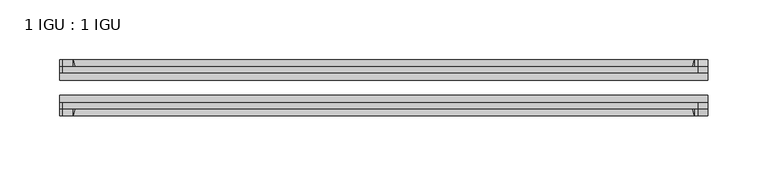
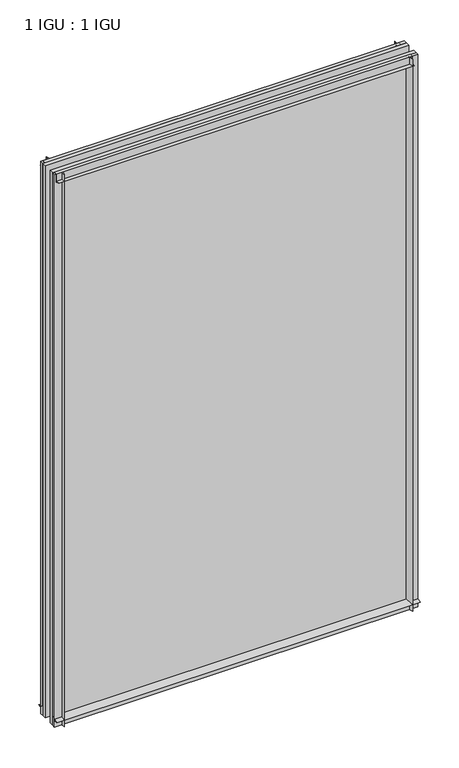
"""IFC4 building model written with IfcOpenShell, lengths in millimetres: plate geometry, 1 IGU : 1 IGU."""

import ifcopenshell
import ifcopenshell.guid

model = None  # the IFC model being written
_history = None  # IfcOwnerHistory: only IFC2X3 demands one
_inside = {}  # id of a spatial element -> (the spatial element, [elements in it])
_under = {}  # id of a project, library or spatial element -> (it, [spatial elements below it])
_declared = {}  # id of a project -> (the project, [libraries it declares])
_typed = {}  # id of a type object -> (the type object, [elements of that type])
_made_of = {}  # id of a material, layer set ... -> (it, [elements and type objects made of it])


def new_model(schema):
    """Start an empty IFC model of exactly this schema.

    Asked for "IFC4X3", IfcOpenShell would pick the latest addendum, in which some entities
    have other attributes; the version numbers below select the first issue.
    IFC2X3 requires an IfcOwnerHistory on every rooted entity: one is made here for all.
    """
    global model, _history
    if schema == "IFC4X3":
        model = ifcopenshell.file(schema_version=(4, 3, 0, 0))
    else:
        model = ifcopenshell.file(schema=schema)
    _inside.clear()
    _under.clear()
    _declared.clear()
    _typed.clear()
    _made_of.clear()
    _history = None
    if model.schema == "IFC2X3":
        org = make("IfcOrganization", Name="unknown")
        user = make(
            "IfcPersonAndOrganization",
            ThePerson=make("IfcPerson", FamilyName="unknown"),
            TheOrganization=org,
        )
        app = make(
            "IfcApplication",
            ApplicationDeveloper=org,
            Version="unknown",
            ApplicationFullName="unknown",
            ApplicationIdentifier="unknown",
        )
        _history = make(
            "IfcOwnerHistory",
            OwningUser=user,
            OwningApplication=app,
            ChangeAction="ADDED",
            CreationDate=0,
        )
    return model


def make(cls, **values):
    """One entity of the class cls with the attributes given. An attribute that is None is left unset."""
    return model.create_entity(
        cls, **{name: value for name, value in values.items() if value is not None}
    )


def rooted(cls, **values):
    """An entity with a GlobalId (a new one), such as an element, a storey or a relation."""
    return make(cls, GlobalId=ifcopenshell.guid.new(), OwnerHistory=_history, **values)


def si_unit(unit_type, name, prefix=None):
    """IfcSIUnit, for example si_unit("LENGTHUNIT", "METRE", prefix="MILLI")."""
    return make("IfcSIUnit", UnitType=unit_type, Prefix=prefix, Name=name)


def assignment(units):
    """IfcUnitAssignment: the units of a project."""
    return None if units is None else make("IfcUnitAssignment", Units=units)


def point(xyz):
    """IfcCartesianPoint."""
    return None if xyz is None else make("IfcCartesianPoint", Coordinates=xyz)


def direction(xyz):
    """IfcDirection."""
    return None if xyz is None else make("IfcDirection", DirectionRatios=xyz)


def frame(location, z_axis=None, x_axis=None):
    """IfcAxis2Placement3D, a coordinate frame: its origin and axes. An axis left out is left unset."""
    return make(
        "IfcAxis2Placement3D",
        Location=point(location),
        Axis=direction(z_axis),
        RefDirection=direction(x_axis),
    )


def frame_2d(location, x_axis=None):
    """IfcAxis2Placement2D, a coordinate frame in the plane: its origin and x axis."""
    return make(
        "IfcAxis2Placement2D", Location=point(location), RefDirection=direction(x_axis)
    )


def origin():
    """The frame at (0, 0, 0) with its axes left unset."""
    return frame((0.0, 0.0, 0.0))


def place(relative_to, where):
    """IfcLocalPlacement: puts the frame where relative to a parent placement (None: the world)."""
    return make(
        "IfcLocalPlacement", PlacementRelTo=relative_to, RelativePlacement=where
    )


def context(
    kind, dimensions, precision=None, world=None, true_north=None, identifier=None
):
    """IfcGeometricRepresentationContext, for example the 3D "Model" context."""
    return make(
        "IfcGeometricRepresentationContext",
        ContextIdentifier=identifier,
        ContextType=kind,
        CoordinateSpaceDimension=dimensions,
        Precision=precision,
        WorldCoordinateSystem=world,
        TrueNorth=true_north,
    )


def project(units=None, contexts=None):
    """IfcProject with its units and contexts."""
    return rooted(
        "IfcProject",
        Name="project",
        RepresentationContexts=contexts,
        UnitsInContext=assignment(units),
    )


def spatial(cls, under=None, at=None, **own):
    """A site, building, storey or space (cls), placed at a placement, below another one or the project."""
    s = rooted(cls, ObjectPlacement=at, **own)
    if under is not None:
        _under.setdefault(under.id(), (under, []))[1].append(s)
    return s


def polyline(points):
    """IfcPolyline through the points."""
    return make("IfcPolyline", Points=[point(p) for p in points])


def circle_curve(where, radius):
    """IfcCircle in the frame where."""
    return make("IfcCircle", Position=where, Radius=radius)


def trimmed(basis, trim1, trim2, sense, master):
    """IfcTrimmedCurve: the piece of a basis curve between two trims."""
    return make(
        "IfcTrimmedCurve",
        BasisCurve=basis,
        Trim1=trim1,
        Trim2=trim2,
        SenseAgreement=sense,
        MasterRepresentation=master,
    )


def segment(curve, same_sense, transition):
    """IfcCompositeCurveSegment."""
    return make(
        "IfcCompositeCurveSegment",
        Transition=transition,
        SameSense=same_sense,
        ParentCurve=curve,
    )


def composite_curve(segments, self_intersect=None):
    """IfcCompositeCurve: segments joined end to end."""
    return make("IfcCompositeCurve", Segments=segments, SelfIntersect=self_intersect)


def outline(outer, holes=None, kind="AREA"):
    """IfcArbitraryClosedProfileDef: a profile drawn as a closed curve; with holes, ...WithVoids."""
    if holes is None:
        return make("IfcArbitraryClosedProfileDef", ProfileType=kind, OuterCurve=outer)
    return make(
        "IfcArbitraryProfileDefWithVoids",
        ProfileType=kind,
        OuterCurve=outer,
        InnerCurves=holes,
    )


def extrude(swept, where, along, depth):
    """IfcExtrudedAreaSolid: the profile swept, set in the frame where, extruded along a direction by depth."""
    return make(
        "IfcExtrudedAreaSolid",
        SweptArea=swept,
        Position=where,
        ExtrudedDirection=direction(along),
        Depth=depth,
    )


def shape(context_of_items, identifier, shape_type, items):
    """IfcShapeRepresentation: the items that make up one representation, for example the "Body"."""
    return make(
        "IfcShapeRepresentation",
        ContextOfItems=context_of_items,
        RepresentationIdentifier=identifier,
        RepresentationType=shape_type,
        Items=items,
    )


def source(mapping_origin, context_of_items, identifier, shape_type, items):
    """IfcRepresentationMap: a shape defined once, which mapped items show again and again."""
    return make(
        "IfcRepresentationMap",
        MappingOrigin=mapping_origin,
        MappedRepresentation=shape(context_of_items, identifier, shape_type, items),
    )


def transform(
    local_origin,
    x_axis=None,
    y_axis=None,
    z_axis=None,
    scale=None,
    scale2=None,
    scale3=None,
    uniform=True,
):
    """IfcCartesianTransformationOperator3D, or its non-uniform kind. x_axis, y_axis, z_axis: its Axis1, 2, 3."""
    if uniform:
        return make(
            "IfcCartesianTransformationOperator3D",
            Axis1=direction(x_axis),
            Axis2=direction(y_axis),
            LocalOrigin=point(local_origin),
            Scale=scale,
            Axis3=direction(z_axis),
        )
    return make(
        "IfcCartesianTransformationOperator3DnonUniform",
        Axis1=direction(x_axis),
        Axis2=direction(y_axis),
        LocalOrigin=point(local_origin),
        Scale=scale,
        Axis3=direction(z_axis),
        Scale2=scale2,
        Scale3=scale3,
    )


def mapped(mapping_source, mapping_target):
    """IfcMappedItem: shows the shape of a source again, moved by a transform."""
    return make(
        "IfcMappedItem", MappingSource=mapping_source, MappingTarget=mapping_target
    )


def made_of(thing, what):
    """Note that an element or type object is made of a material, layer set ...; save() writes the relation."""
    if what is not None:
        _made_of.setdefault(what.id(), (what, []))[1].append(thing)
    return thing


def element(
    cls,
    number,
    at=None,
    inside=None,
    cuts=None,
    type_object=None,
    material=None,
    context=None,
    identifier="Body",
    shape_type=None,
    held_by="IfcProductDefinitionShape",
    body=None,
    shapes=None,
    **own,
):
    """One element of the class cls, such as IfcWall. Its Tag is "e" and its number.

    at: its placement. inside: the storey or other place that contains it. cuts: it is an
    opening in that element (IfcRelVoidsElement). A single representation is given by context,
    identifier, shape_type and body (its items); several are given by shapes. held_by: the class
    of the entity that holds the representations. save() writes the other relations.
    """
    e = rooted(cls, Tag="e%d" % number, ObjectPlacement=at, **own)
    if body is not None:
        shapes = [shape(context, identifier, shape_type, body)]
    if shapes is not None:
        e.Representation = make(held_by, Representations=shapes)
    if inside is not None:
        _inside.setdefault(inside.id(), (inside, []))[1].append(e)
    if cuts is not None:
        rooted(
            "IfcRelVoidsElement", RelatingBuildingElement=cuts, RelatedOpeningElement=e
        )
    if type_object is not None:
        _typed.setdefault(type_object.id(), (type_object, []))[1].append(e)
    return made_of(e, material)


def aggregate(whole, parts):
    """IfcRelAggregates: a whole, such as a stair, and the parts it consists of."""
    return rooted("IfcRelAggregates", RelatingObject=whole, RelatedObjects=parts)


def save(model, path):
    """Write the relations noted so far, then the file.

    IfcRelAggregates (storeys below a building ...), IfcRelContainedInSpatialStructure (elements
    in a storey), IfcRelDefinesByType, IfcRelAssociatesMaterial and IfcRelDeclares: one each for
    every whole, place, type object, material and project.
    """
    for whole, parts in _under.values():
        aggregate(whole, parts)
    for where, things in _inside.values():
        rooted(
            "IfcRelContainedInSpatialStructure",
            RelatedElements=things,
            RelatingStructure=where,
        )
    for kind, things in _typed.values():
        rooted("IfcRelDefinesByType", RelatedObjects=things, RelatingType=kind)
    for what, things in _made_of.values():
        rooted("IfcRelAssociatesMaterial", RelatedObjects=things, RelatingMaterial=what)
    for by, libraries in _declared.values():
        rooted("IfcRelDeclares", RelatingContext=by, RelatedDefinitions=libraries)
    model.write(path)


def plate_1_igu_1_igu_a8598b8f(model_context):
    return source(origin(), model_context, "Body", "SweptSolid", [
        extrude(outline(composite_curve([segment(trimmed(circle_curve(frame_2d((-28.0741797, 32.2797688)), 32.7673262), [point((-44.45, 3.8979053))], [point((-33.7058, 1.48e-05))], True, "CARTESIAN"), True, "CONTINUOUS"), segment(polyline([(-33.7058, 1.48e-05), (-39.6748, 1.48e-05), (-39.6748, -10.31875), (-44.45, -10.31875), (-44.45, 3.8979053)]), True, "CONTINUOUS")], self_intersect=False)), frame((-271.4625, 0.0, 0.0), z_axis=(1.0, 0.0, 0.0), x_axis=(0.0, 1.0, 0.0)), (0.0, 0.0, 1.0), 542.925),
        extrude(outline(composite_curve([segment(trimmed(circle_curve(frame_2d((-86.2258203, 32.2797602)), 32.7673262), [point((-80.5942354, 0.0))], [point((-69.85, 3.8978967))], True, "CARTESIAN"), True, "CONTINUOUS"), segment(polyline([(-69.85, 3.8978967), (-69.85, -10.31875), (-74.6252, -10.31875), (-74.6252, 0.0), (-80.5942354, 0.0)]), True, "CONTINUOUS")], self_intersect=False)), frame((-271.4625, 0.0, 0.0), z_axis=(1.0, 0.0, 0.0), x_axis=(0.0, 1.0, 0.0)), (0.0, 0.0, 1.0), 542.925),
        extrude(outline(composite_curve([segment(polyline([(-80.5942, 850.9), (-74.6252, 850.9), (-74.6252, 862.0125), (-69.85, 862.0125), (-69.85, 847.0021095)]), True, "CONTINUOUS"), segment(trimmed(circle_curve(frame_2d((-86.2258203, 818.620246)), 32.7673262), [point((-69.85, 847.0021095))], [point((-80.5942, 850.9))], True, "CARTESIAN"), True, "CONTINUOUS")], self_intersect=False)), frame((-268.8627386, 0.0, 0.0), z_axis=(1.0, 0.0, 0.0), x_axis=(0.0, 1.0, 0.0)), (0.0, 0.0, 1.0), 531.7587001),
        extrude(outline(composite_curve([segment(polyline([(-39.6748, 862.0125), (-39.6748, 850.9), (-33.7058, 850.9)]), True, "CONTINUOUS"), segment(trimmed(circle_curve(frame_2d((-28.0741797, 818.620246)), 32.7673262), [point((-33.7058, 850.9))], [point((-44.45, 847.0021095))], True, "CARTESIAN"), True, "CONTINUOUS"), segment(polyline([(-44.45, 847.0021095), (-44.45, 862.0125), (-39.6748, 862.0125)]), True, "CONTINUOUS")], self_intersect=False)), frame((-268.8627386, 0.0, 0.0), z_axis=(1.0, 0.0, 0.0), x_axis=(0.0, 1.0, 0.0)), (0.0, 0.0, 1.0), 531.7587001),
        extrude(outline(composite_curve([segment(polyline([(271.4625, -39.6748), (271.4625, -44.45), (256.4521095, -44.45)]), True, "CONTINUOUS"), segment(trimmed(circle_curve(frame_2d((228.070246, -28.0741797)), 32.7673262), [point((256.4521095, -44.45))], [point((260.35, -33.7058))], True, "CARTESIAN"), True, "CONTINUOUS"), segment(polyline([(260.35, -33.7058), (260.35, -39.6748), (271.4625, -39.6748)]), True, "CONTINUOUS")], self_intersect=False)), frame((0.0, 0.0, -10.31875), z_axis=(0.0, 0.0, 1.0), x_axis=(1.0, 0.0, 0.0)), (0.0, 0.0, 1.0), 872.33125),
        extrude(outline(composite_curve([segment(polyline([(271.4625, -69.85), (271.4625, -74.6252), (260.35, -74.6252), (260.35, -80.5942)]), True, "CONTINUOUS"), segment(trimmed(circle_curve(frame_2d((228.070246, -86.2258203)), 32.7673262), [point((260.35, -80.5942))], [point((256.4521095, -69.85))], True, "CARTESIAN"), True, "CONTINUOUS"), segment(polyline([(256.4521095, -69.85), (271.4625, -69.85)]), True, "CONTINUOUS")], self_intersect=False)), frame((0.0, 0.0, -10.31875), z_axis=(0.0, 0.0, 1.0), x_axis=(1.0, 0.0, 0.0)), (0.0, 0.0, 1.0), 872.33125),
        extrude(outline(composite_curve([segment(polyline([(-271.4625, -39.6748), (-260.35, -39.6748), (-260.35, -33.7058)]), True, "CONTINUOUS"), segment(trimmed(circle_curve(frame_2d((-228.070246, -28.0741797)), 32.7673262), [point((-260.35, -33.7058))], [point((-256.4521095, -44.45))], True, "CARTESIAN"), True, "CONTINUOUS"), segment(polyline([(-256.4521095, -44.45), (-271.4625, -44.45), (-271.4625, -39.6748)]), True, "CONTINUOUS")], self_intersect=False)), frame((0.0, 0.0, -10.31875), z_axis=(0.0, 0.0, 1.0), x_axis=(1.0, 0.0, 0.0)), (0.0, 0.0, 1.0), 872.33125),
        extrude(outline(composite_curve([segment(polyline([(-271.4625, -74.6252), (-271.4625, -69.85), (-256.4521095, -69.85)]), True, "CONTINUOUS"), segment(trimmed(circle_curve(frame_2d((-228.070246, -86.2258203)), 32.7673262), [point((-256.4521095, -69.85))], [point((-260.35, -80.5942))], True, "CARTESIAN"), True, "CONTINUOUS"), segment(polyline([(-260.35, -80.5942), (-260.35, -74.6252), (-271.4625, -74.6252)]), True, "CONTINUOUS")], self_intersect=False)), frame((0.0, 0.0, -10.31875), z_axis=(0.0, 0.0, 1.0), x_axis=(1.0, 0.0, 0.0)), (0.0, 0.0, 1.0), 872.33125),
        extrude(outline(polyline([(-271.4625, -69.85), (-271.4625, -63.5508), (271.4625, -63.5508), (271.4625, -69.85), (-271.4625, -69.85)])), frame((0.0, 0.0, -10.31875), z_axis=(0.0, 0.0, 1.0), x_axis=(1.0, 0.0, 0.0)), (0.0, 0.0, 1.0), 872.33125),
        extrude(outline(polyline([(271.4625, -50.7492), (-271.4625, -50.7492), (-271.4625, -44.45), (271.4625, -44.45), (271.4625, -50.7492)])), frame((0.0, 0.0, -10.31875), z_axis=(0.0, 0.0, 1.0), x_axis=(1.0, 0.0, 0.0)), (0.0, 0.0, 1.0), 872.33125),
    ])


if __name__ == "__main__":
    model = new_model("IFC4")
    model_context = context("Model", 3, world=origin())
    ifc_project = project(units=[si_unit("LENGTHUNIT", "METRE", prefix="MILLI")], contexts=[model_context])
    site = spatial("IfcSite", under=ifc_project)
    building = spatial("IfcBuilding", under=site)
    placement = place(None, origin())
    plate_1_igu_1_igu_shape = plate_1_igu_1_igu_a8598b8f(model_context)
    element("IfcPlate", 1, ObjectType="1 IGU : 1 IGU", at=placement, inside=building, context=model_context, shape_type="MappedRepresentation", body=[
        mapped(plate_1_igu_1_igu_shape, transform((0.0, 0.0, 0.0), x_axis=(1.0, 0.0, 0.0), y_axis=(0.0, 1.0, 0.0), z_axis=(0.0, 0.0, 1.0))),
    ])
    save(model, "model.ifc")
